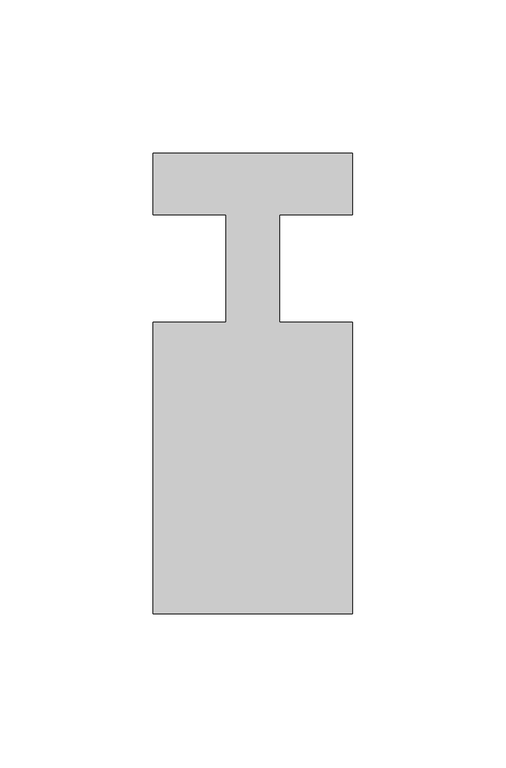
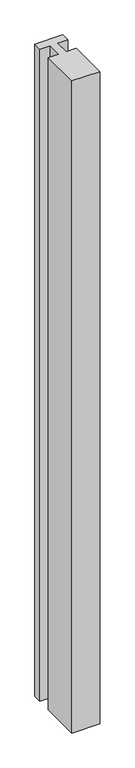
"""IFC4 building model written with IfcOpenShell, lengths in millimetres: member geometry."""

import ifcopenshell
import ifcopenshell.guid

model = None  # the IFC model being written
_history = None  # IfcOwnerHistory: only IFC2X3 demands one
_inside = {}  # id of a spatial element -> (the spatial element, [elements in it])
_under = {}  # id of a project, library or spatial element -> (it, [spatial elements below it])
_declared = {}  # id of a project -> (the project, [libraries it declares])
_typed = {}  # id of a type object -> (the type object, [elements of that type])
_made_of = {}  # id of a material, layer set ... -> (it, [elements and type objects made of it])


def new_model(schema):
    """Start an empty IFC model of exactly this schema.

    Asked for "IFC4X3", IfcOpenShell would pick the latest addendum, in which some entities
    have other attributes; the version numbers below select the first issue.
    IFC2X3 requires an IfcOwnerHistory on every rooted entity: one is made here for all.
    """
    global model, _history
    if schema == "IFC4X3":
        model = ifcopenshell.file(schema_version=(4, 3, 0, 0))
    else:
        model = ifcopenshell.file(schema=schema)
    _inside.clear()
    _under.clear()
    _declared.clear()
    _typed.clear()
    _made_of.clear()
    _history = None
    if model.schema == "IFC2X3":
        org = make("IfcOrganization", Name="unknown")
        user = make(
            "IfcPersonAndOrganization",
            ThePerson=make("IfcPerson", FamilyName="unknown"),
            TheOrganization=org,
        )
        app = make(
            "IfcApplication",
            ApplicationDeveloper=org,
            Version="unknown",
            ApplicationFullName="unknown",
            ApplicationIdentifier="unknown",
        )
        _history = make(
            "IfcOwnerHistory",
            OwningUser=user,
            OwningApplication=app,
            ChangeAction="ADDED",
            CreationDate=0,
        )
    return model


def make(cls, **values):
    """One entity of the class cls with the attributes given. An attribute that is None is left unset."""
    return model.create_entity(
        cls, **{name: value for name, value in values.items() if value is not None}
    )


def rooted(cls, **values):
    """An entity with a GlobalId (a new one), such as an element, a storey or a relation."""
    return make(cls, GlobalId=ifcopenshell.guid.new(), OwnerHistory=_history, **values)


def si_unit(unit_type, name, prefix=None):
    """IfcSIUnit, for example si_unit("LENGTHUNIT", "METRE", prefix="MILLI")."""
    return make("IfcSIUnit", UnitType=unit_type, Prefix=prefix, Name=name)


def assignment(units):
    """IfcUnitAssignment: the units of a project."""
    return None if units is None else make("IfcUnitAssignment", Units=units)


def point(xyz):
    """IfcCartesianPoint."""
    return None if xyz is None else make("IfcCartesianPoint", Coordinates=xyz)


def direction(xyz):
    """IfcDirection."""
    return None if xyz is None else make("IfcDirection", DirectionRatios=xyz)


def frame(location, z_axis=None, x_axis=None):
    """IfcAxis2Placement3D, a coordinate frame: its origin and axes. An axis left out is left unset."""
    return make(
        "IfcAxis2Placement3D",
        Location=point(location),
        Axis=direction(z_axis),
        RefDirection=direction(x_axis),
    )


def origin():
    """The frame at (0, 0, 0) with its axes left unset."""
    return frame((0.0, 0.0, 0.0))


def place(relative_to, where):
    """IfcLocalPlacement: puts the frame where relative to a parent placement (None: the world)."""
    return make(
        "IfcLocalPlacement", PlacementRelTo=relative_to, RelativePlacement=where
    )


def context(
    kind, dimensions, precision=None, world=None, true_north=None, identifier=None
):
    """IfcGeometricRepresentationContext, for example the 3D "Model" context."""
    return make(
        "IfcGeometricRepresentationContext",
        ContextIdentifier=identifier,
        ContextType=kind,
        CoordinateSpaceDimension=dimensions,
        Precision=precision,
        WorldCoordinateSystem=world,
        TrueNorth=true_north,
    )


def project(units=None, contexts=None):
    """IfcProject with its units and contexts."""
    return rooted(
        "IfcProject",
        Name="project",
        RepresentationContexts=contexts,
        UnitsInContext=assignment(units),
    )


def spatial(cls, under=None, at=None, **own):
    """A site, building, storey or space (cls), placed at a placement, below another one or the project."""
    s = rooted(cls, ObjectPlacement=at, **own)
    if under is not None:
        _under.setdefault(under.id(), (under, []))[1].append(s)
    return s


def polyline(points):
    """IfcPolyline through the points."""
    return make("IfcPolyline", Points=[point(p) for p in points])


def outline(outer, holes=None, kind="AREA"):
    """IfcArbitraryClosedProfileDef: a profile drawn as a closed curve; with holes, ...WithVoids."""
    if holes is None:
        return make("IfcArbitraryClosedProfileDef", ProfileType=kind, OuterCurve=outer)
    return make(
        "IfcArbitraryProfileDefWithVoids",
        ProfileType=kind,
        OuterCurve=outer,
        InnerCurves=holes,
    )


def extrude(swept, where, along, depth):
    """IfcExtrudedAreaSolid: the profile swept, set in the frame where, extruded along a direction by depth."""
    return make(
        "IfcExtrudedAreaSolid",
        SweptArea=swept,
        Position=where,
        ExtrudedDirection=direction(along),
        Depth=depth,
    )


def shape(context_of_items, identifier, shape_type, items):
    """IfcShapeRepresentation: the items that make up one representation, for example the "Body"."""
    return make(
        "IfcShapeRepresentation",
        ContextOfItems=context_of_items,
        RepresentationIdentifier=identifier,
        RepresentationType=shape_type,
        Items=items,
    )


def source(mapping_origin, context_of_items, identifier, shape_type, items):
    """IfcRepresentationMap: a shape defined once, which mapped items show again and again."""
    return make(
        "IfcRepresentationMap",
        MappingOrigin=mapping_origin,
        MappedRepresentation=shape(context_of_items, identifier, shape_type, items),
    )


def transform(
    local_origin,
    x_axis=None,
    y_axis=None,
    z_axis=None,
    scale=None,
    scale2=None,
    scale3=None,
    uniform=True,
):
    """IfcCartesianTransformationOperator3D, or its non-uniform kind. x_axis, y_axis, z_axis: its Axis1, 2, 3."""
    if uniform:
        return make(
            "IfcCartesianTransformationOperator3D",
            Axis1=direction(x_axis),
            Axis2=direction(y_axis),
            LocalOrigin=point(local_origin),
            Scale=scale,
            Axis3=direction(z_axis),
        )
    return make(
        "IfcCartesianTransformationOperator3DnonUniform",
        Axis1=direction(x_axis),
        Axis2=direction(y_axis),
        LocalOrigin=point(local_origin),
        Scale=scale,
        Axis3=direction(z_axis),
        Scale2=scale2,
        Scale3=scale3,
    )


def mapped(mapping_source, mapping_target):
    """IfcMappedItem: shows the shape of a source again, moved by a transform."""
    return make(
        "IfcMappedItem", MappingSource=mapping_source, MappingTarget=mapping_target
    )


def made_of(thing, what):
    """Note that an element or type object is made of a material, layer set ...; save() writes the relation."""
    if what is not None:
        _made_of.setdefault(what.id(), (what, []))[1].append(thing)
    return thing


def element(
    cls,
    number,
    at=None,
    inside=None,
    cuts=None,
    type_object=None,
    material=None,
    context=None,
    identifier="Body",
    shape_type=None,
    held_by="IfcProductDefinitionShape",
    body=None,
    shapes=None,
    **own,
):
    """One element of the class cls, such as IfcWall. Its Tag is "e" and its number.

    at: its placement. inside: the storey or other place that contains it. cuts: it is an
    opening in that element (IfcRelVoidsElement). A single representation is given by context,
    identifier, shape_type and body (its items); several are given by shapes. held_by: the class
    of the entity that holds the representations. save() writes the other relations.
    """
    e = rooted(cls, Tag="e%d" % number, ObjectPlacement=at, **own)
    if body is not None:
        shapes = [shape(context, identifier, shape_type, body)]
    if shapes is not None:
        e.Representation = make(held_by, Representations=shapes)
    if inside is not None:
        _inside.setdefault(inside.id(), (inside, []))[1].append(e)
    if cuts is not None:
        rooted(
            "IfcRelVoidsElement", RelatingBuildingElement=cuts, RelatedOpeningElement=e
        )
    if type_object is not None:
        _typed.setdefault(type_object.id(), (type_object, []))[1].append(e)
    return made_of(e, material)


def aggregate(whole, parts):
    """IfcRelAggregates: a whole, such as a stair, and the parts it consists of."""
    return rooted("IfcRelAggregates", RelatingObject=whole, RelatedObjects=parts)


def save(model, path):
    """Write the relations noted so far, then the file.

    IfcRelAggregates (storeys below a building ...), IfcRelContainedInSpatialStructure (elements
    in a storey), IfcRelDefinesByType, IfcRelAssociatesMaterial and IfcRelDeclares: one each for
    every whole, place, type object, material and project.
    """
    for whole, parts in _under.values():
        aggregate(whole, parts)
    for where, things in _inside.values():
        rooted(
            "IfcRelContainedInSpatialStructure",
            RelatedElements=things,
            RelatingStructure=where,
        )
    for kind, things in _typed.values():
        rooted("IfcRelDefinesByType", RelatedObjects=things, RelatingType=kind)
    for what, things in _made_of.values():
        rooted("IfcRelAssociatesMaterial", RelatedObjects=things, RelatingMaterial=what)
    for by, libraries in _declared.values():
        rooted("IfcRelDeclares", RelatingContext=by, RelatedDefinitions=libraries)
    model.write(path)


def member_02b888b2(model_context):
    return source(origin(), model_context, "Body", "SweptSolid", [
        extrude(outline(polyline([(0.0, 37.0), (0.0, 17.0), (-23.8125, 17.0), (-23.8125, -18.0), (0.0, -18.0), (0.0, -113.0), (-65.0, -113.0), (-65.0, -18.0), (-41.1875, -18.0), (-41.1875, 17.0), (-65.0, 17.0), (-65.0, 37.0), (0.0, 37.0)])), frame((0.0, 0.0, -1611.1875), z_axis=(0.0, 0.0, 1.0), x_axis=(1.0, 0.0, 0.0)), (0.0, 0.0, 1.0), 1611.1875),
    ])


if __name__ == "__main__":
    model = new_model("IFC4")
    model_context = context("Model", 3, world=origin())
    ifc_project = project(units=[si_unit("LENGTHUNIT", "METRE", prefix="MILLI")], contexts=[model_context])
    site = spatial("IfcSite", under=ifc_project)
    building = spatial("IfcBuilding", under=site)
    placement = place(None, origin())
    member_shape = member_02b888b2(model_context)
    element("IfcMember", 1, at=placement, inside=building, context=model_context, shape_type="MappedRepresentation", body=[
        mapped(member_shape, transform((0.0, 0.0, 0.0), x_axis=(1.0, 0.0, 0.0), y_axis=(0.0, 1.0, 0.0), z_axis=(0.0, 0.0, 1.0))),
    ])
    save(model, "model.ifc")
